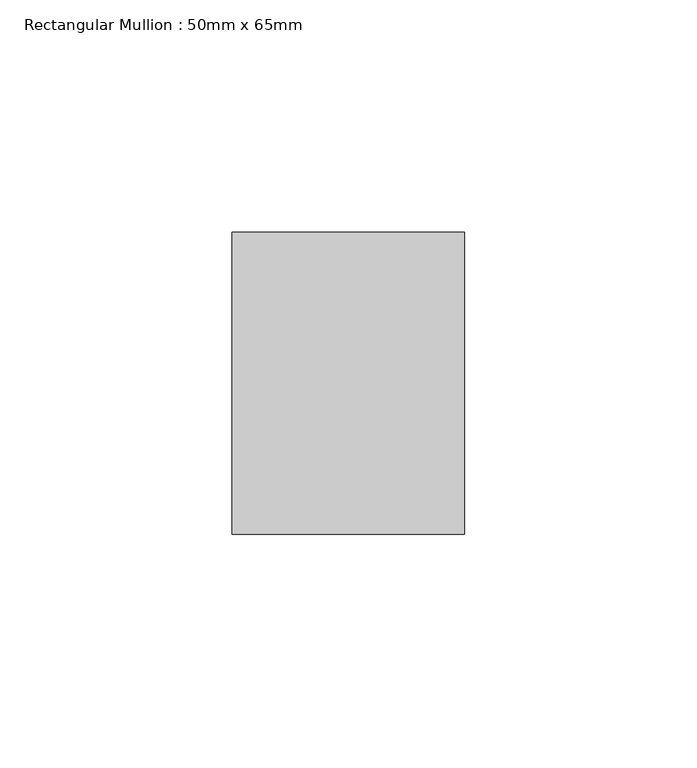
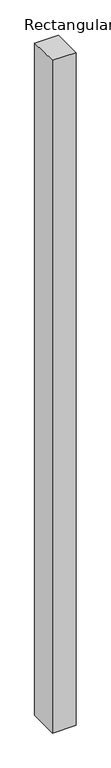
"""IFC4 building model written with IfcOpenShell, lengths in millimetres: member geometry, Rectangular Mullion : 50mm x 65mm."""

from ifc_helpers import new_model, si_unit, origin, place, context, project, spatial, faceted_brep, source, transform, mapped, element, save


def rectangular_mullion_50mm_x_65mm_bf80f127(model_context):
    return source(origin(), model_context, "Body", "Brep", [
        faceted_brep([(-25.0, 32.5, -0.3057236), (25.0, 32.5, -0.3057243), (25.0, 32.5, -1499.7972503), (-25.0, 32.5, -1499.7972506), (-25.0, -32.5, 0.3057243), (-25.0, -32.5, -1500.2027268), (25.0, -32.5, 0.3057236), (25.0, -32.5, -1500.2027264)], [[[0, 1, 2, 3]], [[4, 0, 3, 5]], [[6, 4, 5, 7]], [[1, 6, 7, 2]], [[1, 0, 4, 6]], [[2, 7, 5, 3]]]),
    ])


if __name__ == "__main__":
    model = new_model("IFC4")
    model_context = context("Model", 3, world=origin())
    ifc_project = project(units=[si_unit("LENGTHUNIT", "METRE", prefix="MILLI")], contexts=[model_context])
    site = spatial("IfcSite", under=ifc_project)
    building = spatial("IfcBuilding", under=site)
    placement = place(None, origin())
    rectangular_mullion_50mm_x_65mm_shape = rectangular_mullion_50mm_x_65mm_bf80f127(model_context)
    element("IfcMember", 1, ObjectType="Rectangular Mullion : 50mm x 65mm", at=placement, inside=building, context=model_context, shape_type="MappedRepresentation", body=[
        mapped(rectangular_mullion_50mm_x_65mm_shape, transform((0.0, 0.0, 0.0), x_axis=(1.0, 0.0, 0.0), y_axis=(0.0, 1.0, 0.0), z_axis=(0.0, 0.0, 1.0))),
    ])
    save(model, "model.ifc")
